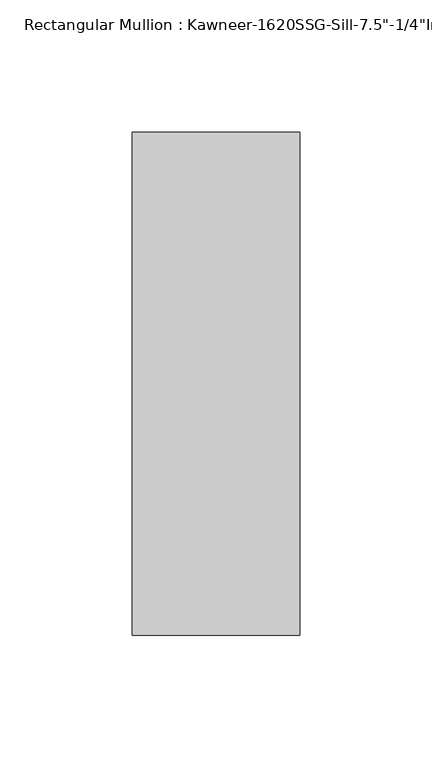
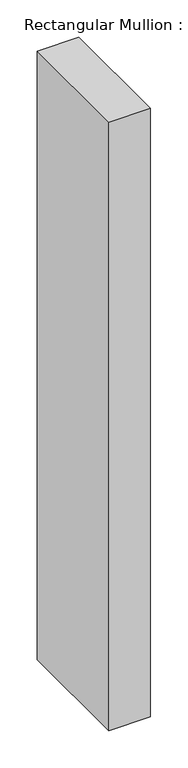
"""IFC4 building model written with IfcOpenShell, lengths in millimetres: member geometry."""

from ifc_helpers import new_model, si_unit, frame, origin, place, context, project, spatial, polyline, outline, extrude, source, transform, mapped, element, save


def member_553e62e0(model_context):
    return source(origin(), model_context, "Body", "SweptSolid", [
        extrude(outline(polyline([(-63.5, 28.575), (0.0, 28.575), (0.0, -161.925), (-63.5, -161.925), (-63.5, 28.575)])), frame((0.0, 0.0, -990.6), z_axis=(0.0, 0.0, 1.0), x_axis=(1.0, 0.0, 0.0)), (0.0, 0.0, 1.0), 990.6),
    ])


if __name__ == "__main__":
    model = new_model("IFC4")
    model_context = context("Model", 3, world=origin())
    ifc_project = project(units=[si_unit("LENGTHUNIT", "METRE", prefix="MILLI")], contexts=[model_context])
    site = spatial("IfcSite", under=ifc_project)
    building = spatial("IfcBuilding", under=site)
    placement = place(None, origin())
    member_shape = member_553e62e0(model_context)
    element("IfcMember", 1, ObjectType="Rectangular Mullion : Kawneer-1620SSG-Sill-7.5\"-1/4\"Infill", at=placement, inside=building, context=model_context, shape_type="MappedRepresentation", body=[
        mapped(member_shape, transform((0.0, 0.0, 0.0), x_axis=(1.0, 0.0, 0.0), y_axis=(0.0, 1.0, 0.0), z_axis=(0.0, 0.0, 1.0))),
    ])
    save(model, "model.ifc")
